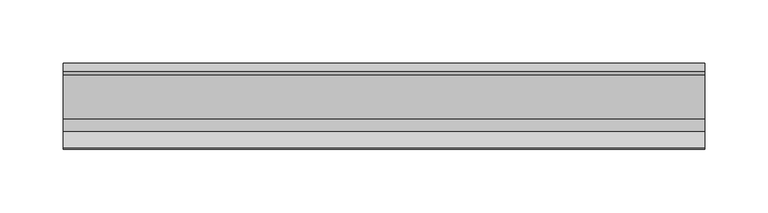
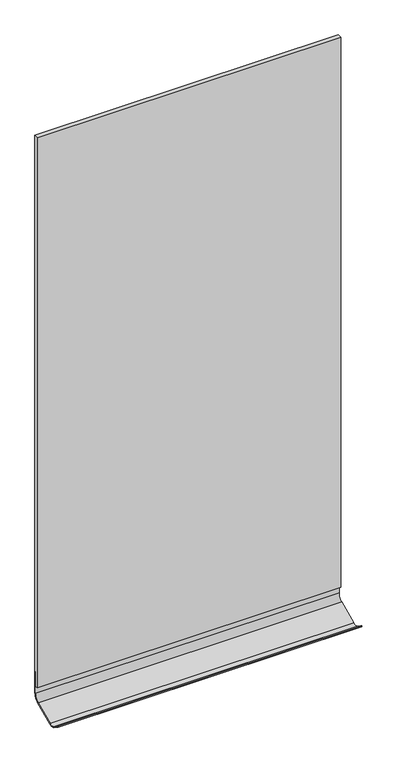
"""IFC4 building model written with IfcOpenShell, lengths in millimetres: furniture geometry."""

import ifcopenshell
import ifcopenshell.guid

model = None  # the IFC model being written
_history = None  # IfcOwnerHistory: only IFC2X3 demands one
_inside = {}  # id of a spatial element -> (the spatial element, [elements in it])
_under = {}  # id of a project, library or spatial element -> (it, [spatial elements below it])
_declared = {}  # id of a project -> (the project, [libraries it declares])
_typed = {}  # id of a type object -> (the type object, [elements of that type])
_made_of = {}  # id of a material, layer set ... -> (it, [elements and type objects made of it])


def new_model(schema):
    """Start an empty IFC model of exactly this schema.

    Asked for "IFC4X3", IfcOpenShell would pick the latest addendum, in which some entities
    have other attributes; the version numbers below select the first issue.
    IFC2X3 requires an IfcOwnerHistory on every rooted entity: one is made here for all.
    """
    global model, _history
    if schema == "IFC4X3":
        model = ifcopenshell.file(schema_version=(4, 3, 0, 0))
    else:
        model = ifcopenshell.file(schema=schema)
    _inside.clear()
    _under.clear()
    _declared.clear()
    _typed.clear()
    _made_of.clear()
    _history = None
    if model.schema == "IFC2X3":
        org = make("IfcOrganization", Name="unknown")
        user = make(
            "IfcPersonAndOrganization",
            ThePerson=make("IfcPerson", FamilyName="unknown"),
            TheOrganization=org,
        )
        app = make(
            "IfcApplication",
            ApplicationDeveloper=org,
            Version="unknown",
            ApplicationFullName="unknown",
            ApplicationIdentifier="unknown",
        )
        _history = make(
            "IfcOwnerHistory",
            OwningUser=user,
            OwningApplication=app,
            ChangeAction="ADDED",
            CreationDate=0,
        )
    return model


def make(cls, **values):
    """One entity of the class cls with the attributes given. An attribute that is None is left unset."""
    return model.create_entity(
        cls, **{name: value for name, value in values.items() if value is not None}
    )


def rooted(cls, **values):
    """An entity with a GlobalId (a new one), such as an element, a storey or a relation."""
    return make(cls, GlobalId=ifcopenshell.guid.new(), OwnerHistory=_history, **values)


def si_unit(unit_type, name, prefix=None):
    """IfcSIUnit, for example si_unit("LENGTHUNIT", "METRE", prefix="MILLI")."""
    return make("IfcSIUnit", UnitType=unit_type, Prefix=prefix, Name=name)


def assignment(units):
    """IfcUnitAssignment: the units of a project."""
    return None if units is None else make("IfcUnitAssignment", Units=units)


def point(xyz):
    """IfcCartesianPoint."""
    return None if xyz is None else make("IfcCartesianPoint", Coordinates=xyz)


def direction(xyz):
    """IfcDirection."""
    return None if xyz is None else make("IfcDirection", DirectionRatios=xyz)


def frame(location, z_axis=None, x_axis=None):
    """IfcAxis2Placement3D, a coordinate frame: its origin and axes. An axis left out is left unset."""
    return make(
        "IfcAxis2Placement3D",
        Location=point(location),
        Axis=direction(z_axis),
        RefDirection=direction(x_axis),
    )


def origin():
    """The frame at (0, 0, 0) with its axes left unset."""
    return frame((0.0, 0.0, 0.0))


def place(relative_to, where):
    """IfcLocalPlacement: puts the frame where relative to a parent placement (None: the world)."""
    return make(
        "IfcLocalPlacement", PlacementRelTo=relative_to, RelativePlacement=where
    )


def context(
    kind, dimensions, precision=None, world=None, true_north=None, identifier=None
):
    """IfcGeometricRepresentationContext, for example the 3D "Model" context."""
    return make(
        "IfcGeometricRepresentationContext",
        ContextIdentifier=identifier,
        ContextType=kind,
        CoordinateSpaceDimension=dimensions,
        Precision=precision,
        WorldCoordinateSystem=world,
        TrueNorth=true_north,
    )


def project(units=None, contexts=None):
    """IfcProject with its units and contexts."""
    return rooted(
        "IfcProject",
        Name="project",
        RepresentationContexts=contexts,
        UnitsInContext=assignment(units),
    )


def spatial(cls, under=None, at=None, **own):
    """A site, building, storey or space (cls), placed at a placement, below another one or the project."""
    s = rooted(cls, ObjectPlacement=at, **own)
    if under is not None:
        _under.setdefault(under.id(), (under, []))[1].append(s)
    return s


def polyline(points):
    """IfcPolyline through the points."""
    return make("IfcPolyline", Points=[point(p) for p in points])


def circle_curve(where, radius):
    """IfcCircle in the frame where."""
    return make("IfcCircle", Position=where, Radius=radius)


def outline(outer, holes=None, kind="AREA"):
    """IfcArbitraryClosedProfileDef: a profile drawn as a closed curve; with holes, ...WithVoids."""
    if holes is None:
        return make("IfcArbitraryClosedProfileDef", ProfileType=kind, OuterCurve=outer)
    return make(
        "IfcArbitraryProfileDefWithVoids",
        ProfileType=kind,
        OuterCurve=outer,
        InnerCurves=holes,
    )


def extrude(swept, where, along, depth):
    """IfcExtrudedAreaSolid: the profile swept, set in the frame where, extruded along a direction by depth."""
    return make(
        "IfcExtrudedAreaSolid",
        SweptArea=swept,
        Position=where,
        ExtrudedDirection=direction(along),
        Depth=depth,
    )


def shape(context_of_items, identifier, shape_type, items):
    """IfcShapeRepresentation: the items that make up one representation, for example the "Body"."""
    return make(
        "IfcShapeRepresentation",
        ContextOfItems=context_of_items,
        RepresentationIdentifier=identifier,
        RepresentationType=shape_type,
        Items=items,
    )


def source(mapping_origin, context_of_items, identifier, shape_type, items):
    """IfcRepresentationMap: a shape defined once, which mapped items show again and again."""
    return make(
        "IfcRepresentationMap",
        MappingOrigin=mapping_origin,
        MappedRepresentation=shape(context_of_items, identifier, shape_type, items),
    )


def transform(
    local_origin,
    x_axis=None,
    y_axis=None,
    z_axis=None,
    scale=None,
    scale2=None,
    scale3=None,
    uniform=True,
):
    """IfcCartesianTransformationOperator3D, or its non-uniform kind. x_axis, y_axis, z_axis: its Axis1, 2, 3."""
    if uniform:
        return make(
            "IfcCartesianTransformationOperator3D",
            Axis1=direction(x_axis),
            Axis2=direction(y_axis),
            LocalOrigin=point(local_origin),
            Scale=scale,
            Axis3=direction(z_axis),
        )
    return make(
        "IfcCartesianTransformationOperator3DnonUniform",
        Axis1=direction(x_axis),
        Axis2=direction(y_axis),
        LocalOrigin=point(local_origin),
        Scale=scale,
        Axis3=direction(z_axis),
        Scale2=scale2,
        Scale3=scale3,
    )


def mapped(mapping_source, mapping_target):
    """IfcMappedItem: shows the shape of a source again, moved by a transform."""
    return make(
        "IfcMappedItem", MappingSource=mapping_source, MappingTarget=mapping_target
    )


def made_of(thing, what):
    """Note that an element or type object is made of a material, layer set ...; save() writes the relation."""
    if what is not None:
        _made_of.setdefault(what.id(), (what, []))[1].append(thing)
    return thing


def element(
    cls,
    number,
    at=None,
    inside=None,
    cuts=None,
    type_object=None,
    material=None,
    context=None,
    identifier="Body",
    shape_type=None,
    held_by="IfcProductDefinitionShape",
    body=None,
    shapes=None,
    **own,
):
    """One element of the class cls, such as IfcWall. Its Tag is "e" and its number.

    at: its placement. inside: the storey or other place that contains it. cuts: it is an
    opening in that element (IfcRelVoidsElement). A single representation is given by context,
    identifier, shape_type and body (its items); several are given by shapes. held_by: the class
    of the entity that holds the representations. save() writes the other relations.
    """
    e = rooted(cls, Tag="e%d" % number, ObjectPlacement=at, **own)
    if body is not None:
        shapes = [shape(context, identifier, shape_type, body)]
    if shapes is not None:
        e.Representation = make(held_by, Representations=shapes)
    if inside is not None:
        _inside.setdefault(inside.id(), (inside, []))[1].append(e)
    if cuts is not None:
        rooted(
            "IfcRelVoidsElement", RelatingBuildingElement=cuts, RelatedOpeningElement=e
        )
    if type_object is not None:
        _typed.setdefault(type_object.id(), (type_object, []))[1].append(e)
    return made_of(e, material)


def aggregate(whole, parts):
    """IfcRelAggregates: a whole, such as a stair, and the parts it consists of."""
    return rooted("IfcRelAggregates", RelatingObject=whole, RelatedObjects=parts)


def save(model, path):
    """Write the relations noted so far, then the file.

    IfcRelAggregates (storeys below a building ...), IfcRelContainedInSpatialStructure (elements
    in a storey), IfcRelDefinesByType, IfcRelAssociatesMaterial and IfcRelDeclares: one each for
    every whole, place, type object, material and project.
    """
    for whole, parts in _under.values():
        aggregate(whole, parts)
    for where, things in _inside.values():
        rooted(
            "IfcRelContainedInSpatialStructure",
            RelatedElements=things,
            RelatingStructure=where,
        )
    for kind, things in _typed.values():
        rooted("IfcRelDefinesByType", RelatedObjects=things, RelatingType=kind)
    for what, things in _made_of.values():
        rooted("IfcRelAssociatesMaterial", RelatedObjects=things, RelatingMaterial=what)
    for by, libraries in _declared.values():
        rooted("IfcRelDeclares", RelatingContext=by, RelatedDefinitions=libraries)
    model.write(path)


def plane_surface(at):
    """IfcPlane: the flat surface through the origin of the frame at, square to its z axis."""
    return make("IfcPlane", Position=at)


def cylinder_surface(at, radius):
    """IfcCylindricalSurface: all points at the distance radius from the z axis of the frame at."""
    return make("IfcCylindricalSurface", Position=at, Radius=radius)


def revolved_surface(curve, axis_point, axis_direction):
    """IfcSurfaceOfRevolution: the curve turned about the line through axis_point along axis_direction."""
    return make(
        "IfcSurfaceOfRevolution",
        SweptCurve=make("IfcArbitraryOpenProfileDef", ProfileType="CURVE", Curve=curve),
        AxisPosition=make("IfcAxis1Placement", Location=point(axis_point), Axis=direction(axis_direction)),
    )


def advanced_brep(points, edges, surfaces, faces):
    """IfcAdvancedBrep: a solid bounded by faces that lie on surfaces and meet in shared edges.

    An edge is (start, end): straight between two places in points (the first is 0);
    or (start, end, curve); or (start, end, curve, False) where it runs against its curve.
    A face is (place in surfaces, loops), or (place, loops, False) where it looks against
    its surface's normal. A loop lists edges by number (the first is 1), with a minus sign
    where the edge is run from its end to its start. The first loop is the outer one.
    """
    corners = [point(p) for p in points]
    vertices = [make("IfcVertexPoint", VertexGeometry=c) for c in corners]
    made = []
    for start, end, *more in edges:
        made.append(
            make(
                "IfcEdgeCurve",
                EdgeStart=vertices[start],
                EdgeEnd=vertices[end],
                EdgeGeometry=more[0] if more else make("IfcPolyline", Points=[corners[start], corners[end]]),
                SameSense=more[1] if len(more) > 1 else True,
            )
        )
    hull = []
    for where, loops, *sense in faces:
        bounds = []
        for j, loop in enumerate(loops):
            ring = [make("IfcOrientedEdge", EdgeElement=made[abs(k) - 1], Orientation=k > 0) for k in loop]
            bounds.append(
                make(
                    "IfcFaceOuterBound" if j == 0 else "IfcFaceBound",
                    Bound=make("IfcEdgeLoop", EdgeList=ring),
                    Orientation=True,
                )
            )
        hull.append(make("IfcAdvancedFace", Bounds=bounds, FaceSurface=surfaces[where], SameSense=sense[0] if sense else True))
    return make("IfcAdvancedBrep", Outer=make("IfcClosedShell", CfsFaces=hull))


def furniture_3b5cd986(model_context):
    return source(origin(), model_context, "Body", "SolidModel", [
        advanced_brep(
        [(-235.2622951, 0.0, 1162.05), (-235.2622951, -1.5875008, 1162.05), (272.7377049, -1.5875008, 1162.05), (272.7377049, 0.0, 1162.05), (-235.2622951, 0.0, 1123.95), (-235.2622951, -8.5020792, 1111.0709817), (-235.2622951, -43.3081623, 1095.4156295), (-235.2622951, -54.540103, 1095.4156295), (-235.2622951, -68.1632812, 1104.4645988), (-235.2622951, -67.2849232, 1105.7869625), (-235.2622951, -53.7791293, 1096.8020178), (-235.2622951, -43.9593611, 1096.8634205), (-235.2622951, -9.1260047, 1112.5310399), (-235.2622951, -1.5875008, 1123.95), (272.7377049, -1.5875008, 1123.95), (272.7377049, -9.125894, 1112.5307809), (272.7377049, -43.9593611, 1096.8634205), (272.7377049, -53.7735459, 1096.8122552), (272.7377049, -67.2849232, 1105.7869625), (272.7377049, -68.1632812, 1104.4645988), (272.7377049, -54.540103, 1095.4156295), (272.7377049, -43.3081623, 1095.4156295), (272.7377049, -8.5020792, 1111.0709817), (272.7377049, 0.0, 1123.95)],
        [
            (0, 1),
            (1, 2),
            (2, 3),
            (3, 0),
            (0, 4),
            (4, 5, circle_curve(frame((-235.2622951, -14.0056601, 1123.95), z_axis=(-1.0, 0.0, 0.0), x_axis=(0.0, 1.0, 0.0)), 14.0056601)),
            (5, 6),
            (6, 7, circle_curve(frame((-235.2622951, -48.9241326, 1107.9014509), z_axis=(-1.0, 0.0, 0.0), x_axis=(0.0, 0.4102037495757319, -0.9119939055903884)), 13.6906851)),
            (7, 8),
            (8, 9),
            (9, 10),
            (10, 11, circle_curve(frame((-235.2622951, -48.9241326, 1107.9014509), z_axis=(1.0, 0.0, 0.0), x_axis=(0.0, 0.4102037495757319, -0.9119939055903884)), 12.1031843)),
            (11, 12),
            (12, 13, circle_curve(frame((-235.2622951, -14.0056601, 1123.95), z_axis=(1.0, 0.0, 0.0), x_axis=(0.0, 1.0, 0.0)), 12.4181593)),
            (13, 1),
            (13, 14),
            (14, 2),
            (14, 15, circle_curve(frame((272.7377049, -14.0056601, 1123.95), z_axis=(-1.0, 0.0, 0.0), x_axis=(0.0, 1.0, 0.0)), 12.4181593)),
            (15, 16),
            (16, 17, circle_curve(frame((272.7377049, -48.9241326, 1107.9014509), z_axis=(-1.0, 0.0, 0.0), x_axis=(0.0, 0.4102037495757319, -0.9119939055903884)), 12.1031843)),
            (17, 18),
            (18, 19),
            (19, 20),
            (20, 21, circle_curve(frame((272.7377049, -48.9241326, 1107.9014509), z_axis=(1.0, 0.0, 0.0), x_axis=(0.0, 0.4102037495757319, -0.9119939055903884)), 13.6906851)),
            (21, 22),
            (22, 23, circle_curve(frame((272.7377049, -14.0056601, 1123.95), z_axis=(1.0, 0.0, 0.0), x_axis=(0.0, 1.0, 0.0)), 14.0056601)),
            (23, 3),
            (23, 4),
            (12, 15),
            (22, 5),
            (11, 16),
            (21, 6),
            (10, 17),
            (20, 7),
            (8, 19),
            (18, 9),
        ],
        [
            plane_surface(frame((18.7377049, 0.0, 1162.05), z_axis=(0.0, 0.0, 1.0), x_axis=(1.0, 0.0, 0.0))),
            plane_surface(frame((-235.2622951, 0.0, 1162.05), z_axis=(-1.0, 0.0, 0.0), x_axis=(0.0, 0.0, -1.0))),
            plane_surface(frame((-235.2622951, -1.5875008, 1162.05), z_axis=(0.0, -1.0, 0.0), x_axis=(0.0, 0.0, -1.0))),
            plane_surface(frame((272.7377049, -1.5875008, 1162.05), z_axis=(1.0, 0.0, 0.0), x_axis=(0.0, 0.0, -1.0))),
            plane_surface(frame((272.7377049, 0.0, 1162.05), z_axis=(0.0, 1.0, 0.0), x_axis=(0.0, 0.0, -1.0))),
            revolved_surface(polyline([(-235.2622951, -1.5875008000000008, 1123.95), (272.7377049, -1.5875008000000008, 1123.95)]), (18.7377049, -14.0056601, 1123.95), (-1.0, 0.0, 0.0)),
            cylinder_surface(frame((18.7377049, -14.0056601, 1123.95), z_axis=(-1.0, 0.0, 0.0), x_axis=(0.0, 1.0, 0.0)), 14.0056601),
            plane_surface(frame((-235.2622951, -9.1260047, 1112.5310399), z_axis=(0.0, -0.4102037495756703, 0.9119939055904162), x_axis=(0.0, -0.9119939055904162, -0.4102037495756703))),
            plane_surface(frame((272.7377049, -8.5020792, 1111.0709817), z_axis=(0.0, 0.4102037495756736, -0.9119939055904146), x_axis=(0.0, -0.9119939055904146, -0.4102037495756736))),
            revolved_surface(polyline([(-235.2622951, -43.95936101833387, 1096.863420580163), (272.7377049, -43.95936101833387, 1096.863420580163)]), (18.7377049, -48.9241326, 1107.9014509), (-1.0, 0.0, 0.0)),
            cylinder_surface(frame((18.7377049, -48.9241326, 1107.9014509), z_axis=(-1.0, 0.0, 0.0), x_axis=(0.0, 0.4102037495757319, -0.9119939055903884)), 13.6906851),
            plane_surface(frame((18.7377049, -68.1632812, 1104.4645988), z_axis=(0.0, -0.8329846113691274, 0.5532961568836565), x_axis=(1.0, 0.0, 0.0))),
            plane_surface(frame((-235.2622951, -53.7791293, 1096.8020178), z_axis=(0.0, 0.5538925489854317, 0.8325881600037448), x_axis=(0.0, -0.8325881600037448, 0.5538925489854317))),
            plane_surface(frame((272.7377049, -54.540103, 1095.4156295), z_axis=(0.0, -0.5532961568836647, -0.8329846113691219), x_axis=(0.0, -0.8329846113691219, 0.5532961568836647))),
        ],
        [
            (0, [[1, 2, 3, 4]]),
            (1, [[-1, 5, 6, 7, 8, 9, 10, 11, 12, 13, 14, 15]]),
            (2, [[-2, -15, 16, 17]]),
            (3, [[-3, -17, 18, 19, 20, 21, 22, 23, 24, 25, 26, 27]]),
            (4, [[-4, -27, 28, -5]]),
            (5, [[-18, -16, -14, 29]]),
            (6, [[-6, -28, -26, 30]]),
            (7, [[-29, -13, 31, -19]]),
            (8, [[-30, -25, 32, -7]]),
            (9, [[-20, -31, -12, 33]]),
            (10, [[-8, -32, -24, 34]]),
            (11, [[35, -22, 36, -10]]),
            (12, [[-33, -11, -36, -21]]),
            (13, [[-34, -23, -35, -9]]),
        ],
    ),
        extrude(outline(polyline([(-6.3500008, 1136.6499998), (-6.3500008, 2110.2835816), (0.0, 2110.2835816), (0.0, 1162.05), (-1.5875008, 1162.05), (-1.5875008, 1136.6499998), (-6.3500008, 1136.6499998)])), frame((-235.2622951, 0.0, 0.0), z_axis=(1.0, 0.0, 0.0), x_axis=(0.0, 1.0, 0.0)), (0.0, 0.0, 1.0), 508.0),
    ])


if __name__ == "__main__":
    model = new_model("IFC4")
    model_context = context("Model", 3, world=origin())
    ifc_project = project(units=[si_unit("LENGTHUNIT", "METRE", prefix="MILLI")], contexts=[model_context])
    site = spatial("IfcSite", under=ifc_project)
    building = spatial("IfcBuilding", under=site)
    placement = place(None, origin())
    furniture_shape = furniture_3b5cd986(model_context)
    element("IfcFurniture", 1, at=placement, inside=building, context=model_context, shape_type="MappedRepresentation", body=[
        mapped(furniture_shape, transform((0.0, 0.0, 0.0), x_axis=(1.0, 0.0, 0.0), y_axis=(0.0, 1.0, 0.0), z_axis=(0.0, 0.0, 1.0))),
    ])
    save(model, "model.ifc")
